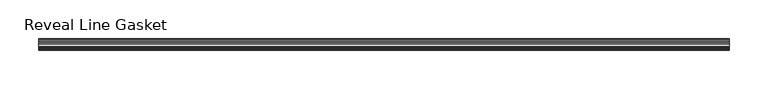
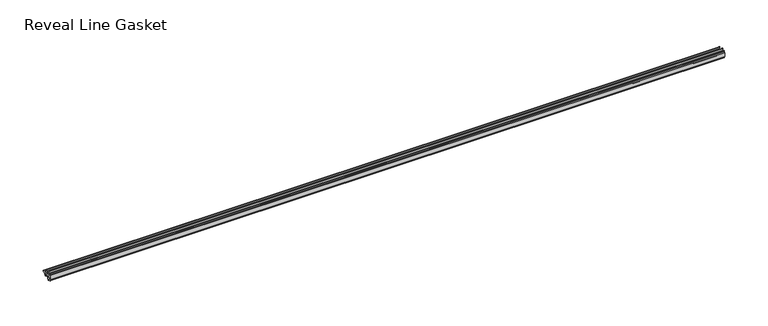
"""IFC4 building model written with IfcOpenShell, lengths in millimetres: furniture geometry, Reveal Line Gasket."""

from ifc_helpers import new_model, si_unit, point, frame, frame_2d, origin, place, context, project, spatial, polyline, circle_curve, trimmed, segment, composite_curve, outline, extrude, source, transform, mapped, element, save


def reveal_line_gasket_51938528(model_context):
    return source(origin(), model_context, "Body", "SweptSolid", [
        extrude(outline(composite_curve([segment(polyline([(-7.6326998, 1603.2), (-7.4091917, 1604.1554927), (-6.8813059, 1605.0884684)]), True, "CONTINUOUS"), segment(trimmed(circle_curve(frame_2d((-6.5243141, 1604.8864793)), 0.4101739), [point((-6.8813059, 1605.0884684))], [point((-6.1246704, 1604.7941347))], False, "CARTESIAN"), True, "CONTINUOUS"), segment(polyline([(-6.1246704, 1604.7941347), (-6.3626997, 1603.0979086), (-6.3626997, 1601.0654527)]), True, "CONTINUOUS"), segment(trimmed(circle_curve(frame_2d((-5.6959605, 1601.4819258)), 0.786124), [point((-6.3626997, 1601.0654527))], [point((-5.0926996, 1600.977875))], True, "CARTESIAN"), True, "CONTINUOUS"), segment(polyline([(-5.0926996, 1600.977875), (-0.7492996, 1600.977875), (-3.7293824, 1606.1395295)]), True, "CONTINUOUS"), segment(trimmed(circle_curve(frame_2d((-3.3132479, 1606.2049761)), 0.4212495), [point((-3.7293824, 1606.1395295))], [point((-3.0485022, 1606.5326358))], False, "CARTESIAN"), True, "CONTINUOUS"), segment(polyline([(-3.0485022, 1606.5326358), (0.5742594, 1600.977875), (4.8262978, 1600.977875), (3.1660374, 1603.8535297)]), True, "CONTINUOUS"), segment(trimmed(circle_curve(frame_2d((3.5978728, 1603.9118855)), 0.4357605), [point((3.1660374, 1603.8535297))], [point((3.864328, 1604.2566881))], False, "CARTESIAN"), True, "CONTINUOUS"), segment(polyline([(3.864328, 1604.2566881), (6.1944059, 1600.977875), (7.6326998, 1600.977875), (7.6326998, 1599.422125), (6.1944059, 1599.422125), (3.864328, 1596.1433119)]), True, "CONTINUOUS"), segment(trimmed(circle_curve(frame_2d((3.5978728, 1596.4881145)), 0.4357605), [point((3.864328, 1596.1433119))], [point((3.1660374, 1596.5464703))], False, "CARTESIAN"), True, "CONTINUOUS"), segment(polyline([(3.1660374, 1596.5464703), (4.8262978, 1599.422125), (0.5742594, 1599.422125), (-3.0485022, 1593.8673642)]), True, "CONTINUOUS"), segment(trimmed(circle_curve(frame_2d((-3.3132479, 1594.1950239)), 0.4212495), [point((-3.0485022, 1593.8673642))], [point((-3.7293824, 1594.2604705))], False, "CARTESIAN"), True, "CONTINUOUS"), segment(polyline([(-3.7293824, 1594.2604705), (-0.7492996, 1599.422125), (-5.0926996, 1599.422125)]), True, "CONTINUOUS"), segment(trimmed(circle_curve(frame_2d((-5.6959605, 1598.9180742)), 0.786124), [point((-5.0926996, 1599.422125))], [point((-6.3626997, 1599.3345473))], True, "CARTESIAN"), True, "CONTINUOUS"), segment(polyline([(-6.3626997, 1599.3345473), (-6.3626997, 1597.3020914), (-6.1246704, 1595.6058653)]), True, "CONTINUOUS"), segment(trimmed(circle_curve(frame_2d((-6.5243141, 1595.5135207)), 0.4101739), [point((-6.1246704, 1595.6058653))], [point((-6.8813059, 1595.3115316))], False, "CARTESIAN"), True, "CONTINUOUS"), segment(polyline([(-6.8813059, 1595.3115316), (-7.4091917, 1596.2445073), (-7.6326998, 1597.2), (-7.6326998, 1603.2)]), True, "CONTINUOUS")], self_intersect=False)), frame((-447.7193698, 0.0, 0.0), z_axis=(1.0, 0.0, 0.0), x_axis=(0.0, 1.0, 0.0)), (0.0, 0.0, 1.0), 895.4387397),
    ])


if __name__ == "__main__":
    model = new_model("IFC4")
    model_context = context("Model", 3, world=origin())
    ifc_project = project(units=[si_unit("LENGTHUNIT", "METRE", prefix="MILLI")], contexts=[model_context])
    site = spatial("IfcSite", under=ifc_project)
    building = spatial("IfcBuilding", under=site)
    placement = place(None, origin())
    reveal_line_gasket_shape = reveal_line_gasket_51938528(model_context)
    element("IfcFurniture", 1, ObjectType="Reveal Line Gasket", at=placement, inside=building, context=model_context, shape_type="MappedRepresentation", body=[
        mapped(reveal_line_gasket_shape, transform((0.0, 0.0, 0.0), x_axis=(1.0, 0.0, 0.0), y_axis=(0.0, 1.0, 0.0), z_axis=(0.0, 0.0, 1.0))),
    ])
    save(model, "model.ifc")
